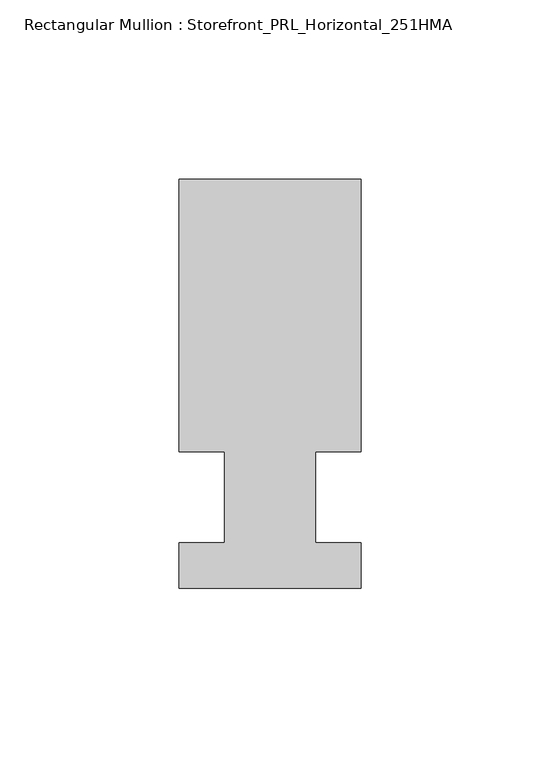
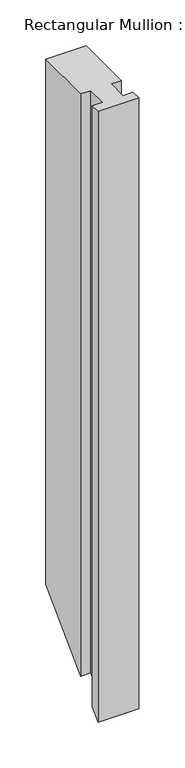
"""IFC4 building model written with IfcOpenShell, lengths in millimetres: member geometry, Rectangular Mullion : Storefront_PRL_Horizontal_251HMA."""

from ifc_helpers import new_model, si_unit, origin, place, context, project, spatial, faceted_brep, source, transform, mapped, element, save


def rectangular_mullion_storefront_prl_horizontal_251hma_ba74a8b1(model_context):
    return source(origin(), model_context, "Body", "Brep", [
        faceted_brep([(-12.7, 12.7, 0.0), (-12.7, -12.7, 0.0), (-25.4, -12.7, 0.0), (-25.4, -25.4, 0.0), (25.4, -25.4, 0.0), (25.4, -12.7, 0.0), (12.7, -12.7, 0.0), (12.7, 12.7, 0.0), (25.4, 12.7, 0.0), (25.4, 88.9, 0.0), (-25.4, 88.9, 0.0), (-25.4, 12.7, 0.0), (-12.7, 12.7, -774.7), (-12.7, -12.7, -800.1), (-25.4, -12.7, -800.1), (-25.4, -25.4, -812.8), (25.4, -25.4, -812.8), (25.4, -12.7, -800.1), (12.7, -12.7, -800.1), (12.7, 12.7, -774.7), (25.4, 12.7, -774.7), (25.4, 88.9, -698.5), (-25.4, 88.9, -698.5), (-25.4, 12.7, -774.7)], [[[0, 1, 2, 3, 4, 5, 6, 7, 8, 9, 10, 11]], [[1, 0, 12, 13]], [[2, 1, 13, 14]], [[3, 2, 14, 15]], [[4, 3, 15, 16]], [[5, 4, 16, 17]], [[6, 5, 17, 18]], [[7, 6, 18, 19]], [[8, 7, 19, 20]], [[9, 8, 20, 21]], [[10, 9, 21, 22]], [[11, 10, 22, 23]], [[0, 11, 23, 12]], [[12, 23, 22, 21, 20, 19, 18, 17, 16, 15, 14, 13]]]),
    ])


if __name__ == "__main__":
    model = new_model("IFC4")
    model_context = context("Model", 3, world=origin())
    ifc_project = project(units=[si_unit("LENGTHUNIT", "METRE", prefix="MILLI")], contexts=[model_context])
    site = spatial("IfcSite", under=ifc_project)
    building = spatial("IfcBuilding", under=site)
    placement = place(None, origin())
    rectangular_mullion_storefront_prl_horizontal_251hma_shape = rectangular_mullion_storefront_prl_horizontal_251hma_ba74a8b1(model_context)
    element("IfcMember", 1, ObjectType="Rectangular Mullion : Storefront_PRL_Horizontal_251HMA", at=placement, inside=building, context=model_context, shape_type="MappedRepresentation", body=[
        mapped(rectangular_mullion_storefront_prl_horizontal_251hma_shape, transform((0.0, 0.0, 0.0), x_axis=(1.0, 0.0, 0.0), y_axis=(0.0, 1.0, 0.0), z_axis=(0.0, 0.0, 1.0))),
    ])
    save(model, "model.ifc")
